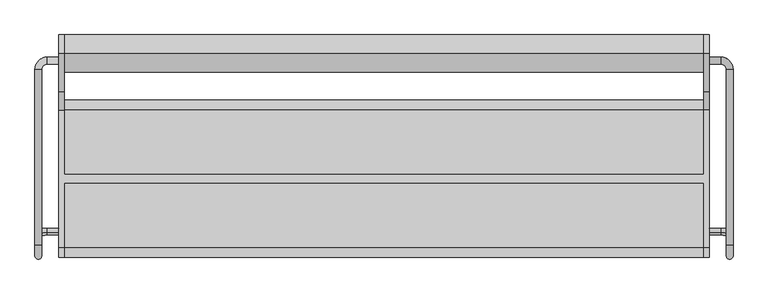
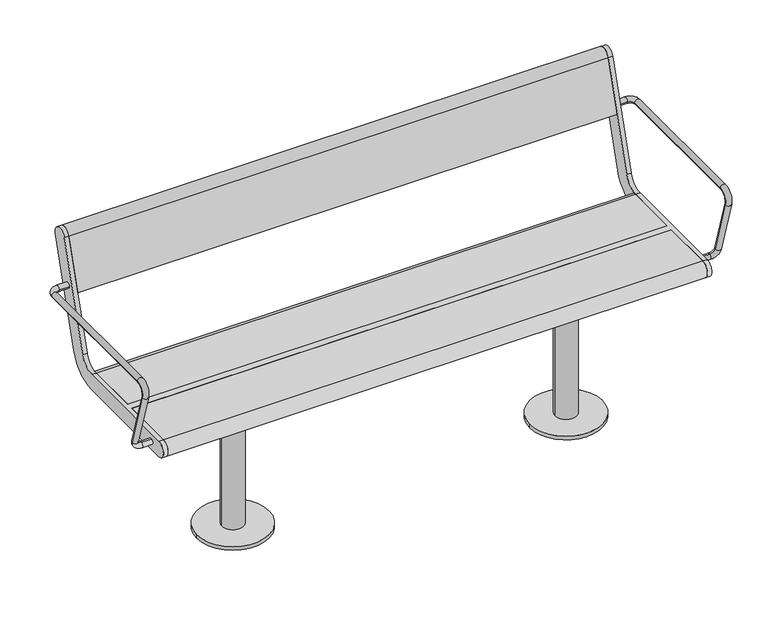
"""IFC4 building model written with IfcOpenShell, lengths in millimetres: furniture geometry."""

from ifc_helpers import new_model, si_unit, point, frame, frame_2d, origin, origin_with_axes, place, context, project, spatial, polyline, circle_curve, ellipse_curve, trimmed, segment, composite_curve, outline, extrude, source, transform, mapped, element, save
from ifc_brep_helpers import plane_surface, cylinder_surface, revolved_surface, advanced_brep


def furniture_c0a4ebd3(model_context):
    return source(origin(), model_context, "Body", "SolidModel", [
        advanced_brep(
        [(757.0, -126.3389736, 435.150438), (757.0, -121.6610264, 419.849562), (784.0, -121.6610264, 419.849562), (784.0, -126.3389736, 435.150438), (813.0, -130.1398058, 447.5823999), (797.0, -130.1398058, 447.5823999), (797.0, 254.0, 641.5), (797.0, -154.3793835, 641.5), (813.0, -154.3793835, 641.5), (813.0, 254.0, 641.5), (813.0, -179.1796199, 607.9844042), (797.0, -179.1796199, 607.9844042), (757.0, 267.0, 641.5), (757.0, 283.0, 641.5), (784.0, 267.0, 641.5), (784.0, 283.0, 641.5)],
        [
            (0, 1, circle_curve(frame((757.0, -124.0, 427.5), z_axis=(-1.0, 0.0, 0.0), x_axis=(0.0, 0.2923717047227402, -0.9563047559630344)), 8.0)),
            (1, 0, circle_curve(frame((757.0, -124.0, 427.5), z_axis=(-1.0, 0.0, 0.0), x_axis=(0.0, 0.2923717047227402, -0.9563047559630344)), 8.0)),
            (1, 2),
            (2, 3, circle_curve(frame((784.0, -124.0, 427.5), z_axis=(-1.0, 0.0, 0.0), x_axis=(0.0, 0.2923717047227402, -0.9563047559630344)), 8.0)),
            (3, 0),
            (3, 2, circle_curve(frame((784.0, -124.0, 427.5), z_axis=(-1.0, 0.0, 0.0), x_axis=(0.0, 0.2923717047227402, -0.9563047559630344)), 8.0)),
            (2, 4, circle_curve(frame((784.0, -130.1398058, 447.5823999), z_axis=(0.0, -0.9563047559630344, -0.29237170472274027), x_axis=(0.0, 0.29237170472274027, -0.9563047559630344)), 29.0)),
            (4, 5, circle_curve(frame((805.0, -130.1398058, 447.5823999), z_axis=(0.0, 0.29237170472274027, -0.9563047559630344), x_axis=(1.0, 0.0, 0.0)), 8.0)),
            (5, 3, circle_curve(frame((784.0, -130.1398058, 447.5823999), z_axis=(0.0, 0.9563047559630344, 0.29237170472274027), x_axis=(0.0, 0.29237170472274027, -0.9563047559630344)), 13.0)),
            (5, 4, circle_curve(frame((805.0, -130.1398058, 447.5823999), z_axis=(0.0, 0.29237170472274027, -0.9563047559630344), x_axis=(1.0, 0.0, 0.0)), 8.0)),
            (6, 7),
            (7, 8, circle_curve(frame((805.0, -154.3793835, 641.5), z_axis=(0.0, 1.0, 0.0), x_axis=(1.0, 0.0, 0.0)), 8.0)),
            (8, 9),
            (9, 6, circle_curve(frame((805.0, 254.0, 641.5), z_axis=(0.0, -1.0, 0.0), x_axis=(1.0, 0.0, 0.0)), 8.0)),
            (6, 9, circle_curve(frame((805.0, 254.0, 641.5), z_axis=(0.0, -1.0, 0.0), x_axis=(1.0, 0.0, 0.0)), 8.0)),
            (8, 7, circle_curve(frame((805.0, -154.3793835, 641.5), z_axis=(0.0, 1.0, 0.0), x_axis=(1.0, 0.0, 0.0)), 8.0)),
            (8, 10, circle_curve(frame((813.0, -154.3793835, 615.5665973), z_axis=(1.0, 0.0, 0.0), x_axis=(0.0, 0.0, 1.0)), 25.9334027)),
            (10, 11, circle_curve(frame((805.0, -179.1796199, 607.9844042), z_axis=(0.0, -0.29237170472273366, 0.9563047559630364), x_axis=(1.0, 0.0, 0.0)), 8.0)),
            (11, 7, circle_curve(frame((797.0, -154.3793835, 615.5665973), z_axis=(-1.0, 0.0, 0.0), x_axis=(0.0, 0.0, 1.0)), 25.9334027)),
            (11, 10, circle_curve(frame((805.0, -179.1796199, 607.9844042), z_axis=(0.0, -0.2923717047227341, 0.9563047559630362), x_axis=(1.0, 0.0, 0.0)), 8.0)),
            (10, 4),
            (5, 11),
            (12, 13, circle_curve(frame((757.0, 275.0, 641.5), z_axis=(-1.0, 0.0, 0.0), x_axis=(0.0, 1.0, 0.0)), 8.0)),
            (13, 12, circle_curve(frame((757.0, 275.0, 641.5), z_axis=(-1.0, 0.0, 0.0), x_axis=(0.0, 1.0, 0.0)), 8.0)),
            (12, 14),
            (14, 15, circle_curve(frame((784.0, 275.0, 641.5), z_axis=(-1.0, 0.0, 0.0), x_axis=(0.0, 1.0, 0.0)), 8.0)),
            (15, 13),
            (15, 14, circle_curve(frame((784.0, 275.0, 641.5), z_axis=(-1.0, 0.0, 0.0), x_axis=(0.0, 1.0, 0.0)), 8.0)),
            (14, 6, circle_curve(frame((784.0, 254.0, 641.5), z_axis=(0.0, 0.0, -1.0), x_axis=(0.0, 1.0, 0.0)), 13.0)),
            (9, 15, circle_curve(frame((784.0, 254.0, 641.5), z_axis=(0.0, 0.0, 1.0), x_axis=(0.0, 1.0, 0.0)), 29.0)),
        ],
        [
            plane_surface(frame((757.0, 489.469501, 615.0564486), z_axis=(-1.0, 0.0, 0.0), x_axis=(0.0, -0.9563047559630344, -0.29237170472274027))),
            cylinder_surface(frame((757.0, -124.0, 427.5), z_axis=(-1.0, 0.0, 0.0), x_axis=(0.0, 0.2923717047227402, -0.9563047559630344)), 8.0),
            revolved_surface(trimmed(ellipse_curve(frame((784.0, -124.0, 427.5), z_axis=(-1.0, 0.0, 0.0), x_axis=(0.0, 0.2923717047227402, -0.9563047559630344)), 8.0, 8.0), [point((784.0, -121.6610264, 419.849562))], [point((784.0, -126.3389736, 435.150438))], True, "CARTESIAN"), (784.0, 483.3296952, 635.1388485), (0.0, -0.9563047559630344, -0.29237170472274027)),
            revolved_surface(trimmed(ellipse_curve(frame((784.0, -124.0, 427.5), z_axis=(-1.0, 0.0, 0.0), x_axis=(0.0, 0.2923717047227402, -0.9563047559630344)), 8.0, 8.0), [point((784.0, -126.3389736, 435.150438))], [point((784.0, -121.6610264, 419.849562))], True, "CARTESIAN"), (784.0, 483.3296952, 635.1388485), (0.0, -0.9563047559630344, -0.29237170472274027)),
            cylinder_surface(frame((805.0, 254.0, 641.5), z_axis=(0.0, 1.0, 0.0), x_axis=(1.0, 0.0, 0.0)), 8.0),
            revolved_surface(trimmed(ellipse_curve(frame((805.0, -154.3793835, 641.5), z_axis=(0.0, 1.0, 0.0), x_axis=(1.0, 0.0, 0.0)), 8.0, 8.0), [point((813.0, -154.3793835, 641.5))], [point((797.0, -154.3793835, 641.5))], True, "CARTESIAN"), (500.0, -154.3793835, 615.5665973), (1.0, 0.0, 0.0)),
            revolved_surface(trimmed(ellipse_curve(frame((805.0, -154.3793835, 641.5), z_axis=(0.0, 1.0, 0.0), x_axis=(1.0, 0.0, 0.0)), 8.0, 8.0), [point((797.0, -154.3793835, 641.5))], [point((813.0, -154.3793835, 641.5))], True, "CARTESIAN"), (500.0, -154.3793835, 615.5665973), (1.0, 0.0, 0.0)),
            cylinder_surface(frame((805.0, -179.1796199, 607.9844042), z_axis=(0.0, -0.29237170472273794, 0.9563047559630351), x_axis=(1.0, 0.0, 0.0)), 8.0),
            plane_surface(frame((757.0, 275.0, 0.0), z_axis=(-1.0, 0.0, 0.0), x_axis=(0.0, 0.0, 1.0))),
            cylinder_surface(frame((757.0, 275.0, 641.5), z_axis=(-1.0, 0.0, 0.0), x_axis=(0.0, 1.0, 0.0)), 8.0),
            revolved_surface(trimmed(ellipse_curve(frame((784.0, 275.0, 641.5), z_axis=(-1.0, 0.0, 0.0), x_axis=(0.0, 1.0, 0.0)), 8.0, 8.0), [point((784.0, 267.0, 641.5))], [point((784.0, 283.0, 641.5))], True, "CARTESIAN"), (784.0, 254.0, 0.0), (0.0, 0.0, -1.0)),
            revolved_surface(trimmed(ellipse_curve(frame((784.0, 275.0, 641.5), z_axis=(-1.0, 0.0, 0.0), x_axis=(0.0, 1.0, 0.0)), 8.0, 8.0), [point((784.0, 283.0, 641.5))], [point((784.0, 267.0, 641.5))], True, "CARTESIAN"), (784.0, 254.0, 0.0), (0.0, 0.0, -1.0)),
        ],
        [
            (0, [[1, 2]]),
            (1, [[-2, 3, 4, 5]]),
            (1, [[-1, -5, 6, -3]]),
            (2, [[-4, 7, 8, 9]]),
            (3, [[-6, -9, 10, -7]]),
            (4, [[11, 12, 13, 14]]),
            (4, [[-11, 15, -13, 16]]),
            (5, [[-16, 17, 18, 19]]),
            (6, [[-12, -19, 20, -17]]),
            (7, [[-18, 21, -10, 22]]),
            (7, [[-20, -22, -8, -21]]),
            (8, [[23, 24]]),
            (9, [[-23, 25, 26, 27]]),
            (9, [[-24, -27, 28, -25]]),
            (10, [[-26, 29, -14, 30]]),
            (11, [[-28, -30, -15, -29]]),
        ],
    ),
        advanced_brep(
        [(-813.0, 254.0, 641.5), (-813.0, -154.3793835, 641.5), (-797.0, -154.3793835, 641.5), (-797.0, 254.0, 641.5), (-757.0, 267.0, 641.5), (-757.0, 283.0, 641.5), (-784.0, 283.0, 641.5), (-784.0, 267.0, 641.5), (-797.0, -179.1796199, 607.9844042), (-813.0, -179.1796199, 607.9844042), (-797.0, -130.1398058, 447.5823999), (-813.0, -130.1398058, 447.5823999), (-757.0, -126.3389736, 435.150438), (-757.0, -121.6610264, 419.849562), (-784.0, -126.3389736, 435.150438), (-784.0, -121.6610264, 419.849562)],
        [
            (0, 1),
            (1, 2, circle_curve(frame((-805.0, -154.3793835, 641.5), z_axis=(0.0, 1.0, 0.0), x_axis=(-1.0, 0.0, 0.0)), 8.0)),
            (2, 3),
            (3, 0, circle_curve(frame((-805.0, 254.0, 641.5), z_axis=(0.0, -1.0, 0.0), x_axis=(-1.0, 0.0, 0.0)), 8.0)),
            (0, 3, circle_curve(frame((-805.0, 254.0, 641.5), z_axis=(0.0, -1.0, 0.0), x_axis=(-1.0, 0.0, 0.0)), 8.0)),
            (2, 1, circle_curve(frame((-805.0, -154.3793835, 641.5), z_axis=(0.0, 1.0, 0.0), x_axis=(-1.0, 0.0, 0.0)), 8.0)),
            (4, 5, circle_curve(frame((-757.0, 275.0, 641.5), z_axis=(1.0, 0.0, 0.0), x_axis=(0.0, 1.0, 0.0)), 8.0)),
            (5, 4, circle_curve(frame((-757.0, 275.0, 641.5), z_axis=(1.0, 0.0, 0.0), x_axis=(0.0, 1.0, 0.0)), 8.0)),
            (5, 6),
            (6, 7, circle_curve(frame((-784.0, 275.0, 641.5), z_axis=(1.0, 0.0, 0.0), x_axis=(0.0, 1.0, 0.0)), 8.0)),
            (7, 4),
            (7, 6, circle_curve(frame((-784.0, 275.0, 641.5), z_axis=(1.0, 0.0, 0.0), x_axis=(0.0, 1.0, 0.0)), 8.0)),
            (6, 0, circle_curve(frame((-784.0, 254.0, 641.5), z_axis=(0.0, 0.0, 1.0), x_axis=(0.0, 1.0, 0.0)), 29.0)),
            (3, 7, circle_curve(frame((-784.0, 254.0, 641.5), z_axis=(0.0, 0.0, -1.0), x_axis=(0.0, 1.0, 0.0)), 13.0)),
            (2, 8, circle_curve(frame((-797.0, -154.3793835, 615.5665973), z_axis=(1.0, 0.0, 0.0), x_axis=(0.0, 0.0, 1.0)), 25.9334027)),
            (8, 9, circle_curve(frame((-805.0, -179.1796199, 607.9844042), z_axis=(0.0, -0.29237170472273327, 0.9563047559630365), x_axis=(-1.0, 0.0, 0.0)), 8.0)),
            (9, 1, circle_curve(frame((-813.0, -154.3793835, 615.5665973), z_axis=(-1.0, 0.0, 0.0), x_axis=(0.0, 0.0, 1.0)), 25.9334027)),
            (9, 8, circle_curve(frame((-805.0, -179.1796199, 607.9844042), z_axis=(0.0, -0.29237170472273366, 0.9563047559630364), x_axis=(-1.0, 0.0, 0.0)), 8.0)),
            (8, 10),
            (10, 11, circle_curve(frame((-805.0, -130.1398058, 447.5823999), z_axis=(0.0, -0.29237170472273794, 0.9563047559630351), x_axis=(-1.0, 0.0, 0.0)), 8.0)),
            (11, 9),
            (11, 10, circle_curve(frame((-805.0, -130.1398058, 447.5823999), z_axis=(0.0, -0.29237170472273794, 0.9563047559630351), x_axis=(-1.0, 0.0, 0.0)), 8.0)),
            (12, 13, circle_curve(frame((-757.0, -124.0, 427.5), z_axis=(1.0, 0.0, 0.0), x_axis=(0.0, 0.2923717047227402, -0.9563047559630344)), 8.0)),
            (13, 12, circle_curve(frame((-757.0, -124.0, 427.5), z_axis=(1.0, 0.0, 0.0), x_axis=(0.0, 0.2923717047227402, -0.9563047559630344)), 8.0)),
            (12, 14),
            (14, 15, circle_curve(frame((-784.0, -124.0, 427.5), z_axis=(1.0, 0.0, 0.0), x_axis=(0.0, 0.2923717047227402, -0.9563047559630344)), 8.0)),
            (15, 13),
            (15, 14, circle_curve(frame((-784.0, -124.0, 427.5), z_axis=(1.0, 0.0, 0.0), x_axis=(0.0, 0.2923717047227402, -0.9563047559630344)), 8.0)),
            (14, 10, circle_curve(frame((-784.0, -130.1398058, 447.5823999), z_axis=(0.0, 0.9563047559630344, 0.29237170472274027), x_axis=(0.0, 0.29237170472274027, -0.9563047559630344)), 13.0)),
            (11, 15, circle_curve(frame((-784.0, -130.1398058, 447.5823999), z_axis=(0.0, -0.9563047559630344, -0.29237170472274027), x_axis=(0.0, 0.29237170472274027, -0.9563047559630344)), 29.0)),
        ],
        [
            cylinder_surface(frame((-805.0, 254.0, 641.5), z_axis=(0.0, 1.0, 0.0), x_axis=(-1.0, 0.0, 0.0)), 8.0),
            plane_surface(frame((-757.0, 275.0, 0.0), z_axis=(1.0, 0.0, 0.0), x_axis=(0.0, 0.0, 1.0))),
            cylinder_surface(frame((-757.0, 275.0, 641.5), z_axis=(1.0, 0.0, 0.0), x_axis=(0.0, 1.0, 0.0)), 8.0),
            revolved_surface(trimmed(ellipse_curve(frame((-784.0, 275.0, 641.5), z_axis=(1.0, 0.0, 0.0), x_axis=(0.0, 1.0, 0.0)), 8.0, 8.0), [point((-784.0, 283.0, 641.5))], [point((-784.0, 267.0, 641.5))], True, "CARTESIAN"), (-784.0, 254.0, 0.0), (0.0, 0.0, 1.0)),
            revolved_surface(trimmed(ellipse_curve(frame((-784.0, 275.0, 641.5), z_axis=(1.0, 0.0, 0.0), x_axis=(0.0, 1.0, 0.0)), 8.0, 8.0), [point((-784.0, 267.0, 641.5))], [point((-784.0, 283.0, 641.5))], True, "CARTESIAN"), (-784.0, 254.0, 0.0), (0.0, 0.0, 1.0)),
            revolved_surface(trimmed(ellipse_curve(frame((-805.0, -154.3793835, 641.5), z_axis=(0.0, 1.0, 0.0), x_axis=(-1.0, 0.0, 0.0)), 8.0, 8.0), [point((-797.0, -154.3793835, 641.5))], [point((-813.0, -154.3793835, 641.5))], True, "CARTESIAN"), (-500.0, -154.3793835, 615.5665973), (1.0, 0.0, 0.0)),
            revolved_surface(trimmed(ellipse_curve(frame((-805.0, -154.3793835, 641.5), z_axis=(0.0, 1.0, 0.0), x_axis=(-1.0, 0.0, 0.0)), 8.0, 8.0), [point((-813.0, -154.3793835, 641.5))], [point((-797.0, -154.3793835, 641.5))], True, "CARTESIAN"), (-500.0, -154.3793835, 615.5665973), (1.0, 0.0, 0.0)),
            cylinder_surface(frame((-805.0, -179.1796199, 607.9844042), z_axis=(0.0, -0.29237170472273794, 0.9563047559630351), x_axis=(-1.0, 0.0, 0.0)), 8.0),
            plane_surface(frame((-757.0, 489.469501, 615.0564486), z_axis=(1.0, 0.0, 0.0), x_axis=(0.0, -0.9563047559630344, -0.29237170472274027))),
            cylinder_surface(frame((-757.0, -124.0, 427.5), z_axis=(1.0, 0.0, 0.0), x_axis=(0.0, 0.2923717047227402, -0.9563047559630344)), 8.0),
            revolved_surface(trimmed(ellipse_curve(frame((-784.0, -124.0, 427.5), z_axis=(1.0, 0.0, 0.0), x_axis=(0.0, 0.2923717047227402, -0.9563047559630344)), 8.0, 8.0), [point((-784.0, -126.3389736, 435.150438))], [point((-784.0, -121.6610264, 419.849562))], True, "CARTESIAN"), (-784.0, 483.3296952, 635.1388485), (0.0, 0.9563047559630344, 0.29237170472274027)),
            revolved_surface(trimmed(ellipse_curve(frame((-784.0, -124.0, 427.5), z_axis=(1.0, 0.0, 0.0), x_axis=(0.0, 0.2923717047227402, -0.9563047559630344)), 8.0, 8.0), [point((-784.0, -121.6610264, 419.849562))], [point((-784.0, -126.3389736, 435.150438))], True, "CARTESIAN"), (-784.0, 483.3296952, 635.1388485), (0.0, 0.9563047559630344, 0.29237170472274027)),
        ],
        [
            (0, [[1, 2, 3, 4]]),
            (0, [[-1, 5, -3, 6]]),
            (1, [[7, 8]]),
            (2, [[-8, 9, 10, 11]]),
            (2, [[-7, -11, 12, -9]]),
            (3, [[-10, 13, -4, 14]]),
            (4, [[-12, -14, -5, -13]]),
            (5, [[-6, 15, 16, 17]]),
            (6, [[-2, -17, 18, -15]]),
            (7, [[-16, 19, 20, 21]]),
            (7, [[-18, -21, 22, -19]]),
            (8, [[23, 24]]),
            (9, [[-23, 25, 26, 27]]),
            (9, [[-24, -27, 28, -25]]),
            (10, [[-26, 29, -22, 30]]),
            (11, [[-28, -30, -20, -29]]),
        ],
    ),
        advanced_brep(
        [(-745.0, 291.0375971, 769.6910048), (-745.0, 203.033714, 481.8432733), (-745.0, 160.0, 450.0), (-745.0, 9.5, 450.0), (-745.0, 9.5, 405.0), (-745.0, 160.0, 405.0), (-745.0, 246.067428, 468.6865466), (-745.0, 334.0713112, 756.5342781), (-745.0, -161.0, 450.0), (-745.0, -161.0, 405.0), (-745.0, -10.5, 405.0), (-745.0, -10.5, 450.0), (-757.0, 291.0375971, 769.6910048), (-757.0, 334.0713112, 756.5342781), (-757.0, 246.067428, 468.6865466), (-757.0, 160.0, 405.0), (-757.0, -161.0, 405.0), (-757.0, -161.0, 450.0), (-757.0, 160.0, 450.0), (-757.0, 203.033714, 481.8432733), (745.0, -10.5, 450.0), (745.0, -161.0, 450.0), (757.0, -161.0, 450.0), (757.0, 160.0, 450.0), (745.0, 160.0, 450.0), (745.0, 9.5, 450.0), (745.0, 9.5, 405.0), (745.0, 160.0, 405.0), (757.0, 160.0, 405.0), (757.0, -161.0, 405.0), (745.0, -161.0, 405.0), (745.0, -10.5, 405.0), (757.0, 291.0375971, 769.6910048), (757.0, 203.033714, 481.8432733), (757.0, 246.067428, 468.6865466), (757.0, 334.0713112, 756.5342781), (745.0, 291.0375971, 769.6910048), (745.0, 334.0713112, 756.5342781), (745.0, 246.067428, 468.6865466), (745.0, 203.033714, 481.8432733)],
        [
            (0, 1),
            (1, 2, circle_curve(frame((-745.0, 160.0, 495.0), z_axis=(-1.0, 0.0, 0.0), x_axis=(0.0, -1.0, 0.0)), 45.0)),
            (2, 3),
            (3, 4),
            (4, 5),
            (5, 6, circle_curve(frame((-745.0, 160.0, 495.0), z_axis=(1.0, 0.0, 0.0), x_axis=(0.0, -1.0, 0.0)), 90.0)),
            (6, 7),
            (7, 0, circle_curve(frame((-745.0, 312.5544541, 763.1126415), z_axis=(1.0, 0.0, 0.0), x_axis=(0.0, -1.0, 0.0)), 22.5)),
            (8, 9, circle_curve(frame((-745.0, -161.0, 427.5), z_axis=(1.0, 0.0, 0.0), x_axis=(0.0, -1.0, 0.0)), 22.5)),
            (9, 10),
            (10, 11),
            (11, 8),
            (12, 13, circle_curve(frame((-757.0, 312.5544541, 763.1126415), z_axis=(-1.0, 0.0, 0.0), x_axis=(0.0, -1.0, 0.0)), 22.5)),
            (13, 14),
            (14, 15, circle_curve(frame((-757.0, 160.0, 495.0), z_axis=(-1.0, 0.0, 0.0), x_axis=(0.0, -1.0, 0.0)), 90.0)),
            (15, 16),
            (16, 17, circle_curve(frame((-757.0, -161.0, 427.5), z_axis=(-1.0, 0.0, 0.0), x_axis=(0.0, -1.0, 0.0)), 22.5)),
            (17, 18),
            (18, 19, circle_curve(frame((-757.0, 160.0, 495.0), z_axis=(1.0, 0.0, 0.0), x_axis=(0.0, -1.0, 0.0)), 45.0)),
            (19, 12),
            (0, 12),
            (19, 1),
            (18, 2),
            (17, 8),
            (11, 20),
            (20, 21),
            (21, 22),
            (22, 23),
            (23, 24),
            (24, 25),
            (25, 3),
            (15, 5),
            (4, 26),
            (26, 27),
            (27, 28),
            (28, 29),
            (29, 30),
            (30, 31),
            (31, 10),
            (9, 16),
            (14, 6),
            (13, 7),
            (31, 20),
            (25, 26),
            (32, 33),
            (33, 23, circle_curve(frame((757.0, 160.0, 495.0), z_axis=(-1.0, 0.0, 0.0), x_axis=(0.0, -1.0, 0.0)), 45.0)),
            (22, 29, circle_curve(frame((757.0, -161.0, 427.5), z_axis=(1.0, 0.0, 0.0), x_axis=(0.0, -1.0, 0.0)), 22.5)),
            (28, 34, circle_curve(frame((757.0, 160.0, 495.0), z_axis=(1.0, 0.0, 0.0), x_axis=(0.0, -1.0, 0.0)), 90.0)),
            (34, 35),
            (35, 32, circle_curve(frame((757.0, 312.5544541, 763.1126415), z_axis=(1.0, 0.0, 0.0), x_axis=(0.0, -1.0, 0.0)), 22.5)),
            (36, 37, circle_curve(frame((745.0, 312.5544541, 763.1126415), z_axis=(-1.0, 0.0, 0.0), x_axis=(0.0, -1.0, 0.0)), 22.5)),
            (37, 38),
            (38, 27, circle_curve(frame((745.0, 160.0, 495.0), z_axis=(-1.0, 0.0, 0.0), x_axis=(0.0, -1.0, 0.0)), 90.0)),
            (24, 39, circle_curve(frame((745.0, 160.0, 495.0), z_axis=(1.0, 0.0, 0.0), x_axis=(0.0, -1.0, 0.0)), 45.0)),
            (39, 36),
            (30, 21, circle_curve(frame((745.0, -161.0, 427.5), z_axis=(-1.0, 0.0, 0.0), x_axis=(0.0, -1.0, 0.0)), 22.5)),
            (32, 36),
            (39, 33),
            (38, 34),
            (37, 35),
        ],
        [
            plane_surface(frame((-745.0, 203.033714, 481.8432733), z_axis=(1.0000000000000002, 0.0, 0.0), x_axis=(0.0, -0.29237170472273394, -0.9563047559630364))),
            plane_surface(frame((-757.0, 203.033714, 481.8432733), z_axis=(-1.0000000000000002, 0.0, 0.0), x_axis=(0.0, 0.29237170472273394, 0.9563047559630364))),
            plane_surface(frame((-745.0, 291.0375971, 769.6910048), z_axis=(0.0, -0.9563047559630364, 0.29237170472273394), x_axis=(-1.0, 0.0, 0.0))),
            revolved_surface(polyline([(-757.0, 115.0, 495.0), (-745.0, 115.0, 495.0)]), (-757.0, 160.0, 495.0), (-1.0, 0.0, 0.0)),
            plane_surface(frame((-745.0, 160.0, 450.0), z_axis=(0.0, 0.0, 1.0), x_axis=(-1.0, 0.0, 0.0))),
            plane_surface(frame((-745.0, -161.0, 405.0), z_axis=(0.0, 0.0, -1.0), x_axis=(-1.0, 0.0, 0.0))),
            cylinder_surface(frame((-757.0, 160.0, 495.0), z_axis=(1.0, 0.0, 0.0), x_axis=(0.0, -1.0, 0.0)), 90.0),
            plane_surface(frame((-745.0, 246.067428, 468.6865466), z_axis=(0.0, 0.9563047559630364, -0.29237170472273366), x_axis=(-1.0, 0.0, 0.0))),
            cylinder_surface(frame((-757.0, 312.5544541, 763.1126415), z_axis=(1.0, 0.0, 0.0), x_axis=(0.0, -1.0, 0.0)), 22.5),
            cylinder_surface(frame((-757.0, -161.0, 427.5), z_axis=(1.0, 0.0, 0.0), x_axis=(0.0, -1.0, 0.0)), 22.5),
            plane_surface(frame((745.0, -10.5, 450.0), z_axis=(0.0, -1.0, 0.0), x_axis=(-1.0, 0.0, 0.0))),
            plane_surface(frame((745.0, 9.5, 405.0), z_axis=(0.0, 1.0, 0.0), x_axis=(-1.0, 0.0, 0.0))),
            plane_surface(frame((757.0, 203.033714, 481.8432733), z_axis=(1.0000000000000002, 0.0, 0.0), x_axis=(0.0, -0.29237170472273394, -0.9563047559630364))),
            plane_surface(frame((745.0, 203.033714, 481.8432733), z_axis=(-1.0000000000000002, 0.0, 0.0), x_axis=(0.0, 0.29237170472273394, 0.9563047559630364))),
            plane_surface(frame((757.0, 291.0375971, 769.6910048), z_axis=(0.0, -0.9563047559630364, 0.29237170472273394), x_axis=(-1.0, 0.0, 0.0))),
            revolved_surface(polyline([(745.0, 115.0, 495.0), (757.0, 115.0, 495.0)]), (745.0, 160.0, 495.0), (-1.0, 0.0, 0.0)),
            cylinder_surface(frame((745.0, 160.0, 495.0), z_axis=(1.0, 0.0, 0.0), x_axis=(0.0, -1.0, 0.0)), 90.0),
            plane_surface(frame((757.0, 246.067428, 468.6865466), z_axis=(0.0, 0.9563047559630364, -0.29237170472273366), x_axis=(-1.0, 0.0, 0.0))),
            cylinder_surface(frame((745.0, 312.5544541, 763.1126415), z_axis=(1.0, 0.0, 0.0), x_axis=(0.0, -1.0, 0.0)), 22.5),
            cylinder_surface(frame((745.0, -161.0, 427.5), z_axis=(1.0, 0.0, 0.0), x_axis=(0.0, -1.0, 0.0)), 22.5),
        ],
        [
            (0, [[1, 2, 3, 4, 5, 6, 7, 8]]),
            (0, [[9, 10, 11, 12]]),
            (1, [[13, 14, 15, 16, 17, 18, 19, 20]]),
            (2, [[-1, 21, -20, 22]]),
            (3, [[-2, -22, -19, 23]]),
            (4, [[-18, 24, -12, 25, 26, 27, 28, 29, 30, 31, -3, -23]]),
            (5, [[-16, 32, -5, 33, 34, 35, 36, 37, 38, 39, -10, 40]]),
            (6, [[-6, -32, -15, 41]]),
            (7, [[-7, -41, -14, 42]]),
            (8, [[-8, -42, -13, -21]]),
            (9, [[-9, -24, -17, -40]]),
            (10, [[-25, -11, -39, 43]]),
            (11, [[-31, 44, -33, -4]]),
            (12, [[45, 46, -28, 47, -36, 48, 49, 50]]),
            (13, [[51, 52, 53, -34, -44, -30, 54, 55]]),
            (13, [[56, -26, -43, -38]]),
            (14, [[-45, 57, -55, 58]]),
            (15, [[-46, -58, -54, -29]]),
            (16, [[-48, -35, -53, 59]]),
            (17, [[-49, -59, -52, 60]]),
            (18, [[-50, -60, -51, -57]]),
            (19, [[-47, -27, -56, -37]]),
        ],
    ),
        extrude(outline(composite_curve([segment(trimmed(circle_curve(frame_2d((312.5544541, 763.1126415)), 22.5), [point((291.0375971, 769.6910048))], [point((334.0713112, 756.5342781))], False, "CARTESIAN"), True, "CONTINUOUS"), segment(polyline([(334.0713112, 756.5342781), (291.5312281, 617.3919361), (248.4975141, 630.5486628), (291.0375971, 769.6910048)]), True, "CONTINUOUS")], self_intersect=False)), frame((-745.0, 0.0, 0.0), z_axis=(1.0, 0.0, 0.0), x_axis=(0.0, 1.0, 0.0)), (0.0, 0.0, 1.0), 1490.0),
        extrude(outline(composite_curve([segment(polyline([(9.5, 405.0), (9.5, 450.0), (160.0, 450.0)]), True, "CONTINUOUS"), segment(trimmed(circle_curve(frame_2d((160.0, 427.5)), 22.5), [point((160.0, 450.0))], [point((160.0, 405.0))], False, "CARTESIAN"), True, "CONTINUOUS"), segment(polyline([(160.0, 405.0), (9.5, 405.0)]), True, "CONTINUOUS")], self_intersect=False)), frame((-745.0, 0.0, 0.0), z_axis=(1.0, 0.0, 0.0), x_axis=(0.0, 1.0, 0.0)), (0.0, 0.0, 1.0), 1490.0),
        extrude(outline(composite_curve([segment(polyline([(-10.5, 405.0), (-161.0, 405.0)]), True, "CONTINUOUS"), segment(trimmed(circle_curve(frame_2d((-161.0, 427.5)), 22.5), [point((-161.0, 405.0))], [point((-161.0, 450.0))], False, "CARTESIAN"), True, "CONTINUOUS"), segment(polyline([(-161.0, 450.0), (-10.5, 450.0), (-10.5, 405.0)]), True, "CONTINUOUS")], self_intersect=False)), frame((-745.0, 0.0, 0.0), z_axis=(1.0, 0.0, 0.0), x_axis=(0.0, 1.0, 0.0)), (0.0, 0.0, 1.0), 1490.0),
        extrude(outline(composite_curve([segment(trimmed(circle_curve(frame_2d((460.0, 0.0)), 100.0), [point((360.0, 0.0))], [point((560.0, 0.0))], False, "CARTESIAN"), True, "CONTINUOUS"), segment(trimmed(circle_curve(frame_2d((460.0, 0.0)), 100.0), [point((560.0, 0.0))], [point((360.0, 0.0))], False, "CARTESIAN"), True, "CONTINUOUS")], self_intersect=False)), origin_with_axes(), (0.0, 0.0, 1.0), 10.0),
        extrude(outline(composite_curve([segment(trimmed(circle_curve(frame_2d((460.0, 0.0)), 30.0), [point((430.0, 0.0))], [point((490.0, 0.0))], False, "CARTESIAN"), True, "CONTINUOUS"), segment(trimmed(circle_curve(frame_2d((460.0, 0.0)), 30.0), [point((490.0, 0.0))], [point((430.0, 0.0))], False, "CARTESIAN"), True, "CONTINUOUS")], self_intersect=False)), frame((0.0, 0.0, 10.0), z_axis=(0.0, 0.0, 1.0), x_axis=(1.0, 0.0, 0.0)), (0.0, 0.0, 1.0), 379.0),
        extrude(outline(polyline([(535.0, 125.0), (535.0, -125.0), (385.0, -125.0), (385.0, 125.0), (535.0, 125.0)])), frame((0.0, 0.0, 389.0), z_axis=(0.0, 0.0, 1.0), x_axis=(1.0, 0.0, 0.0)), (0.0, 0.0, 1.0), 16.0),
        extrude(outline(composite_curve([segment(trimmed(circle_curve(frame_2d((-460.0, 0.0)), 100.0), [point((-560.0, 0.0))], [point((-360.0, 0.0))], False, "CARTESIAN"), True, "CONTINUOUS"), segment(trimmed(circle_curve(frame_2d((-460.0, 0.0)), 100.0), [point((-360.0, 0.0))], [point((-560.0, 0.0))], False, "CARTESIAN"), True, "CONTINUOUS")], self_intersect=False)), origin_with_axes(), (0.0, 0.0, 1.0), 10.0),
        extrude(outline(composite_curve([segment(trimmed(circle_curve(frame_2d((-460.0, 0.0)), 30.0), [point((-490.0, 0.0))], [point((-430.0, 0.0))], False, "CARTESIAN"), True, "CONTINUOUS"), segment(trimmed(circle_curve(frame_2d((-460.0, 0.0)), 30.0), [point((-430.0, 0.0))], [point((-490.0, 0.0))], False, "CARTESIAN"), True, "CONTINUOUS")], self_intersect=False)), frame((0.0, 0.0, 10.0), z_axis=(0.0, 0.0, 1.0), x_axis=(1.0, 0.0, 0.0)), (0.0, 0.0, 1.0), 379.0),
        extrude(outline(polyline([(-385.0, 125.0), (-385.0, -125.0), (-535.0, -125.0), (-535.0, 125.0), (-385.0, 125.0)])), frame((0.0, 0.0, 389.0), z_axis=(0.0, 0.0, 1.0), x_axis=(1.0, 0.0, 0.0)), (0.0, 0.0, 1.0), 16.0),
    ])


if __name__ == "__main__":
    model = new_model("IFC4")
    model_context = context("Model", 3, world=origin())
    ifc_project = project(units=[si_unit("LENGTHUNIT", "METRE", prefix="MILLI")], contexts=[model_context])
    site = spatial("IfcSite", under=ifc_project)
    building = spatial("IfcBuilding", under=site)
    placement = place(None, origin())
    furniture_shape = furniture_c0a4ebd3(model_context)
    element("IfcFurniture", 1, at=placement, inside=building, context=model_context, shape_type="MappedRepresentation", body=[
        mapped(furniture_shape, transform((0.0, 0.0, 0.0), x_axis=(1.0, 0.0, 0.0), y_axis=(0.0, 1.0, 0.0), z_axis=(0.0, 0.0, 1.0))),
    ])
    save(model, "model.ifc")
